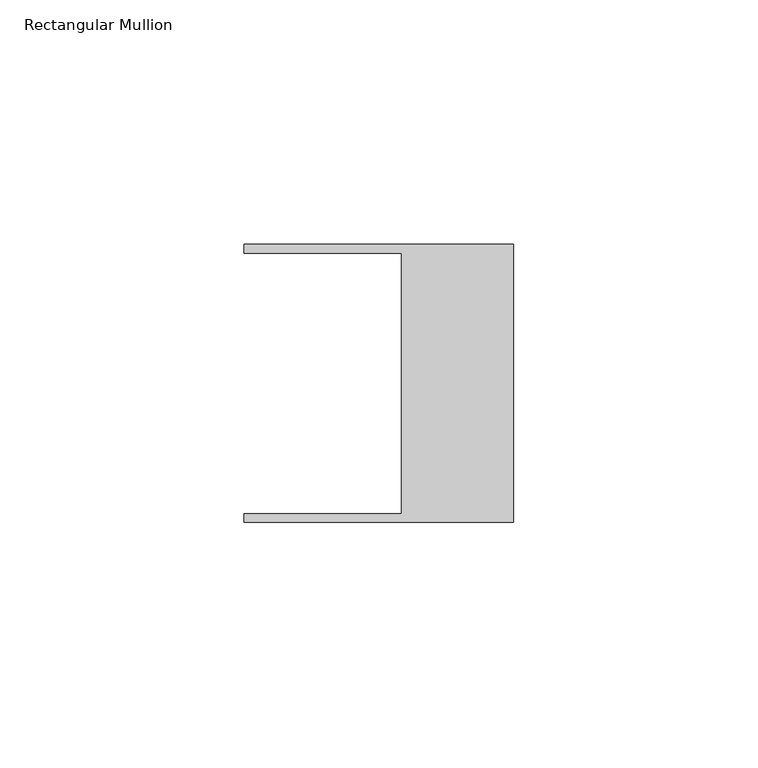
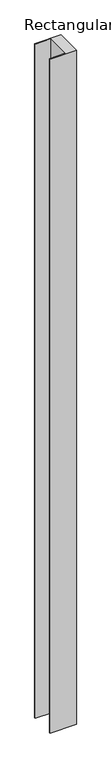
"""IFC4 building model written with IfcOpenShell, lengths in millimetres: member geometry, Rectangular Mullion."""

import ifcopenshell
import ifcopenshell.guid

model = None  # the IFC model being written
_history = None  # IfcOwnerHistory: only IFC2X3 demands one
_inside = {}  # id of a spatial element -> (the spatial element, [elements in it])
_under = {}  # id of a project, library or spatial element -> (it, [spatial elements below it])
_declared = {}  # id of a project -> (the project, [libraries it declares])
_typed = {}  # id of a type object -> (the type object, [elements of that type])
_made_of = {}  # id of a material, layer set ... -> (it, [elements and type objects made of it])


def new_model(schema):
    """Start an empty IFC model of exactly this schema.

    Asked for "IFC4X3", IfcOpenShell would pick the latest addendum, in which some entities
    have other attributes; the version numbers below select the first issue.
    IFC2X3 requires an IfcOwnerHistory on every rooted entity: one is made here for all.
    """
    global model, _history
    if schema == "IFC4X3":
        model = ifcopenshell.file(schema_version=(4, 3, 0, 0))
    else:
        model = ifcopenshell.file(schema=schema)
    _inside.clear()
    _under.clear()
    _declared.clear()
    _typed.clear()
    _made_of.clear()
    _history = None
    if model.schema == "IFC2X3":
        org = make("IfcOrganization", Name="unknown")
        user = make(
            "IfcPersonAndOrganization",
            ThePerson=make("IfcPerson", FamilyName="unknown"),
            TheOrganization=org,
        )
        app = make(
            "IfcApplication",
            ApplicationDeveloper=org,
            Version="unknown",
            ApplicationFullName="unknown",
            ApplicationIdentifier="unknown",
        )
        _history = make(
            "IfcOwnerHistory",
            OwningUser=user,
            OwningApplication=app,
            ChangeAction="ADDED",
            CreationDate=0,
        )
    return model


def make(cls, **values):
    """One entity of the class cls with the attributes given. An attribute that is None is left unset."""
    return model.create_entity(
        cls, **{name: value for name, value in values.items() if value is not None}
    )


def rooted(cls, **values):
    """An entity with a GlobalId (a new one), such as an element, a storey or a relation."""
    return make(cls, GlobalId=ifcopenshell.guid.new(), OwnerHistory=_history, **values)


def si_unit(unit_type, name, prefix=None):
    """IfcSIUnit, for example si_unit("LENGTHUNIT", "METRE", prefix="MILLI")."""
    return make("IfcSIUnit", UnitType=unit_type, Prefix=prefix, Name=name)


def assignment(units):
    """IfcUnitAssignment: the units of a project."""
    return None if units is None else make("IfcUnitAssignment", Units=units)


def point(xyz):
    """IfcCartesianPoint."""
    return None if xyz is None else make("IfcCartesianPoint", Coordinates=xyz)


def direction(xyz):
    """IfcDirection."""
    return None if xyz is None else make("IfcDirection", DirectionRatios=xyz)


def frame(location, z_axis=None, x_axis=None):
    """IfcAxis2Placement3D, a coordinate frame: its origin and axes. An axis left out is left unset."""
    return make(
        "IfcAxis2Placement3D",
        Location=point(location),
        Axis=direction(z_axis),
        RefDirection=direction(x_axis),
    )


def origin():
    """The frame at (0, 0, 0) with its axes left unset."""
    return frame((0.0, 0.0, 0.0))


def place(relative_to, where):
    """IfcLocalPlacement: puts the frame where relative to a parent placement (None: the world)."""
    return make(
        "IfcLocalPlacement", PlacementRelTo=relative_to, RelativePlacement=where
    )


def context(
    kind, dimensions, precision=None, world=None, true_north=None, identifier=None
):
    """IfcGeometricRepresentationContext, for example the 3D "Model" context."""
    return make(
        "IfcGeometricRepresentationContext",
        ContextIdentifier=identifier,
        ContextType=kind,
        CoordinateSpaceDimension=dimensions,
        Precision=precision,
        WorldCoordinateSystem=world,
        TrueNorth=true_north,
    )


def project(units=None, contexts=None):
    """IfcProject with its units and contexts."""
    return rooted(
        "IfcProject",
        Name="project",
        RepresentationContexts=contexts,
        UnitsInContext=assignment(units),
    )


def spatial(cls, under=None, at=None, **own):
    """A site, building, storey or space (cls), placed at a placement, below another one or the project."""
    s = rooted(cls, ObjectPlacement=at, **own)
    if under is not None:
        _under.setdefault(under.id(), (under, []))[1].append(s)
    return s


def polyline(points):
    """IfcPolyline through the points."""
    return make("IfcPolyline", Points=[point(p) for p in points])


def outline(outer, holes=None, kind="AREA"):
    """IfcArbitraryClosedProfileDef: a profile drawn as a closed curve; with holes, ...WithVoids."""
    if holes is None:
        return make("IfcArbitraryClosedProfileDef", ProfileType=kind, OuterCurve=outer)
    return make(
        "IfcArbitraryProfileDefWithVoids",
        ProfileType=kind,
        OuterCurve=outer,
        InnerCurves=holes,
    )


def extrude(swept, where, along, depth):
    """IfcExtrudedAreaSolid: the profile swept, set in the frame where, extruded along a direction by depth."""
    return make(
        "IfcExtrudedAreaSolid",
        SweptArea=swept,
        Position=where,
        ExtrudedDirection=direction(along),
        Depth=depth,
    )


def shape(context_of_items, identifier, shape_type, items):
    """IfcShapeRepresentation: the items that make up one representation, for example the "Body"."""
    return make(
        "IfcShapeRepresentation",
        ContextOfItems=context_of_items,
        RepresentationIdentifier=identifier,
        RepresentationType=shape_type,
        Items=items,
    )


def source(mapping_origin, context_of_items, identifier, shape_type, items):
    """IfcRepresentationMap: a shape defined once, which mapped items show again and again."""
    return make(
        "IfcRepresentationMap",
        MappingOrigin=mapping_origin,
        MappedRepresentation=shape(context_of_items, identifier, shape_type, items),
    )


def transform(
    local_origin,
    x_axis=None,
    y_axis=None,
    z_axis=None,
    scale=None,
    scale2=None,
    scale3=None,
    uniform=True,
):
    """IfcCartesianTransformationOperator3D, or its non-uniform kind. x_axis, y_axis, z_axis: its Axis1, 2, 3."""
    if uniform:
        return make(
            "IfcCartesianTransformationOperator3D",
            Axis1=direction(x_axis),
            Axis2=direction(y_axis),
            LocalOrigin=point(local_origin),
            Scale=scale,
            Axis3=direction(z_axis),
        )
    return make(
        "IfcCartesianTransformationOperator3DnonUniform",
        Axis1=direction(x_axis),
        Axis2=direction(y_axis),
        LocalOrigin=point(local_origin),
        Scale=scale,
        Axis3=direction(z_axis),
        Scale2=scale2,
        Scale3=scale3,
    )


def mapped(mapping_source, mapping_target):
    """IfcMappedItem: shows the shape of a source again, moved by a transform."""
    return make(
        "IfcMappedItem", MappingSource=mapping_source, MappingTarget=mapping_target
    )


def made_of(thing, what):
    """Note that an element or type object is made of a material, layer set ...; save() writes the relation."""
    if what is not None:
        _made_of.setdefault(what.id(), (what, []))[1].append(thing)
    return thing


def element(
    cls,
    number,
    at=None,
    inside=None,
    cuts=None,
    type_object=None,
    material=None,
    context=None,
    identifier="Body",
    shape_type=None,
    held_by="IfcProductDefinitionShape",
    body=None,
    shapes=None,
    **own,
):
    """One element of the class cls, such as IfcWall. Its Tag is "e" and its number.

    at: its placement. inside: the storey or other place that contains it. cuts: it is an
    opening in that element (IfcRelVoidsElement). A single representation is given by context,
    identifier, shape_type and body (its items); several are given by shapes. held_by: the class
    of the entity that holds the representations. save() writes the other relations.
    """
    e = rooted(cls, Tag="e%d" % number, ObjectPlacement=at, **own)
    if body is not None:
        shapes = [shape(context, identifier, shape_type, body)]
    if shapes is not None:
        e.Representation = make(held_by, Representations=shapes)
    if inside is not None:
        _inside.setdefault(inside.id(), (inside, []))[1].append(e)
    if cuts is not None:
        rooted(
            "IfcRelVoidsElement", RelatingBuildingElement=cuts, RelatedOpeningElement=e
        )
    if type_object is not None:
        _typed.setdefault(type_object.id(), (type_object, []))[1].append(e)
    return made_of(e, material)


def aggregate(whole, parts):
    """IfcRelAggregates: a whole, such as a stair, and the parts it consists of."""
    return rooted("IfcRelAggregates", RelatingObject=whole, RelatedObjects=parts)


def save(model, path):
    """Write the relations noted so far, then the file.

    IfcRelAggregates (storeys below a building ...), IfcRelContainedInSpatialStructure (elements
    in a storey), IfcRelDefinesByType, IfcRelAssociatesMaterial and IfcRelDeclares: one each for
    every whole, place, type object, material and project.
    """
    for whole, parts in _under.values():
        aggregate(whole, parts)
    for where, things in _inside.values():
        rooted(
            "IfcRelContainedInSpatialStructure",
            RelatedElements=things,
            RelatingStructure=where,
        )
    for kind, things in _typed.values():
        rooted("IfcRelDefinesByType", RelatedObjects=things, RelatingType=kind)
    for what, things in _made_of.values():
        rooted("IfcRelAssociatesMaterial", RelatedObjects=things, RelatingMaterial=what)
    for by, libraries in _declared.values():
        rooted("IfcRelDeclares", RelatingContext=by, RelatedDefinitions=libraries)
    model.write(path)


def rectangular_mullion_60cfabbe(model_context):
    return source(origin(), model_context, "Body", "SweptSolid", [
        extrude(outline(polyline([(-55.118, 26.67), (-55.118, 28.448), (0.0, 28.448), (0.0, -28.448), (-55.118, -28.448), (-55.118, -26.67), (-22.86, -26.67), (-22.86, 26.67), (-55.118, 26.67)])), frame((0.0, 0.0, -1504.9492331), z_axis=(0.0, 0.0, 1.0), x_axis=(1.0, 0.0, 0.0)), (0.0, 0.0, 1.0), 1504.9492331),
    ])


if __name__ == "__main__":
    model = new_model("IFC4")
    model_context = context("Model", 3, world=origin())
    ifc_project = project(units=[si_unit("LENGTHUNIT", "METRE", prefix="MILLI")], contexts=[model_context])
    site = spatial("IfcSite", under=ifc_project)
    building = spatial("IfcBuilding", under=site)
    placement = place(None, origin())
    rectangular_mullion_shape = rectangular_mullion_60cfabbe(model_context)
    element("IfcMember", 1, ObjectType="Rectangular Mullion", at=placement, inside=building, context=model_context, shape_type="MappedRepresentation", body=[
        mapped(rectangular_mullion_shape, transform((0.0, 0.0, 0.0), x_axis=(1.0, 0.0, 0.0), y_axis=(0.0, 1.0, 0.0), z_axis=(0.0, 0.0, 1.0))),
    ])
    save(model, "model.ifc")
